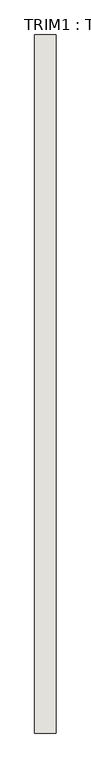
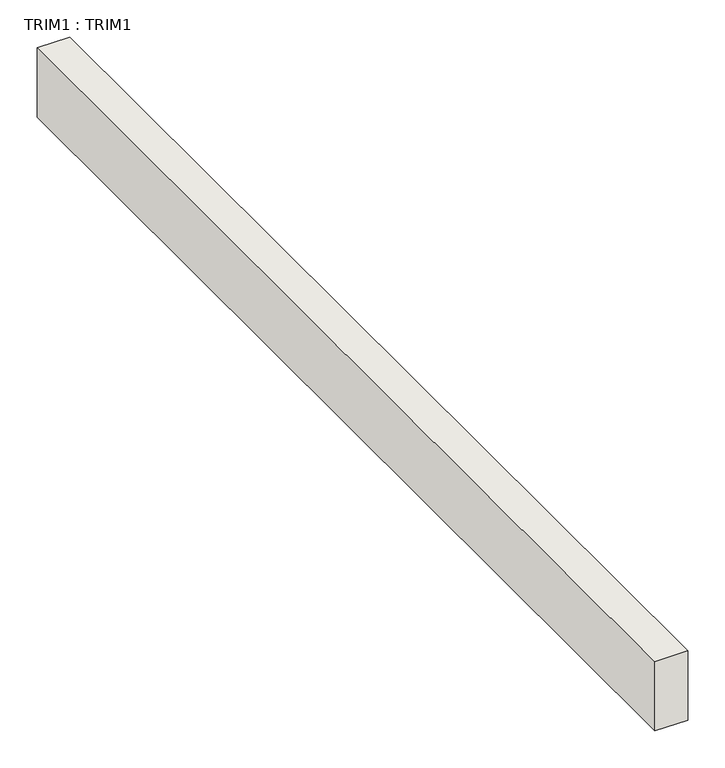
"""IFC4 building model written with IfcOpenShell, lengths in millimetres: wall geometry, TRIM1 : TRIM1."""

from ifc_helpers import new_model, si_unit, frame, origin, place, context, project, spatial, polyline, outline, extrude, source, transform, mapped, element, save


def trim1_trim1_bbc29867(model_context):
    return source(origin(), model_context, "Body", "SweptSolid", [
        extrude(outline(polyline([(-16526.2716415, 6199.0732965), (-16526.2716415, 4529.0232965), (-16577.0716415, 4529.0232965), (-16577.0716415, 6199.0732965), (-16526.2716415, 6199.0732965)])), frame((0.0, 0.0, 2743.2), z_axis=(0.0, 0.0, 1.0), x_axis=(1.0, 0.0, 0.0)), (0.0, 0.0, 1.0), 114.3),
    ])


if __name__ == "__main__":
    model = new_model("IFC4")
    model_context = context("Model", 3, world=origin())
    ifc_project = project(units=[si_unit("LENGTHUNIT", "METRE", prefix="MILLI")], contexts=[model_context])
    site = spatial("IfcSite", under=ifc_project)
    building = spatial("IfcBuilding", under=site)
    placement = place(None, origin())
    trim1_trim1_shape = trim1_trim1_bbc29867(model_context)
    element("IfcWall", 1, ObjectType="TRIM1 : TRIM1", at=placement, inside=building, context=model_context, shape_type="MappedRepresentation", body=[
        mapped(trim1_trim1_shape, transform((0.0, 0.0, 0.0), x_axis=(1.0, 0.0, 0.0), y_axis=(0.0, 1.0, 0.0), z_axis=(0.0, 0.0, 1.0))),
    ])
    save(model, "model.ifc")
